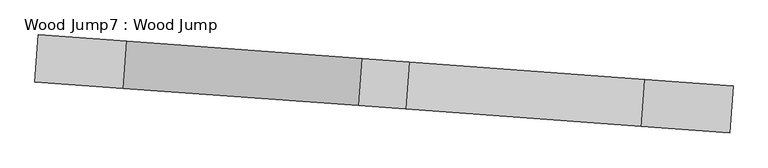
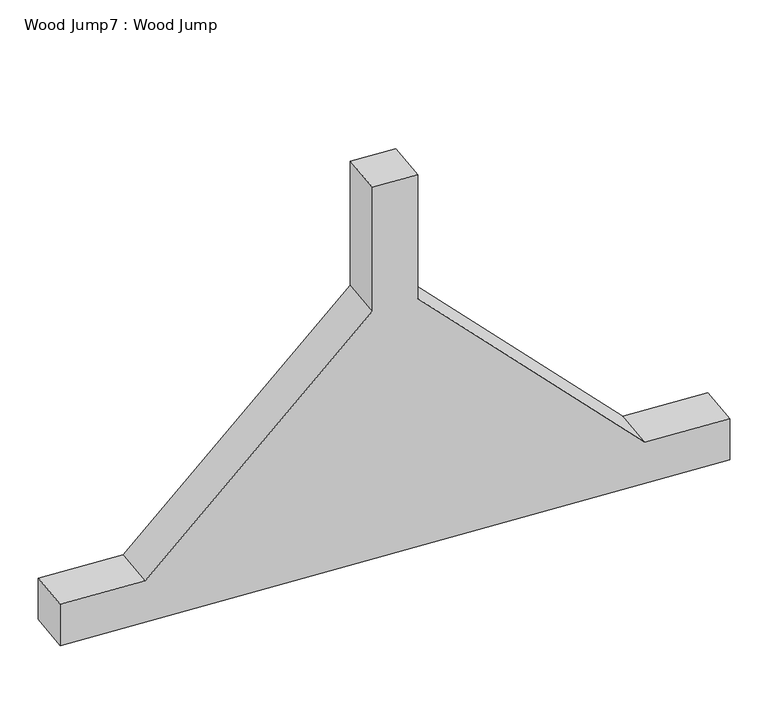
"""IFC4 building model written with IfcOpenShell, lengths in millimetres: proxy geometry, Wood Jump7 : Wood Jump."""

from ifc_helpers import new_model, si_unit, frame, origin, place, context, project, spatial, polyline, outline, extrude, source, transform, mapped, element, save


def wood_jump7_wood_jump_329478cd(model_context):
    return source(origin(), model_context, "Body", "SweptSolid", [
        extrude(outline(polyline([(0.0, 0.0), (0.0, -1498.6), (-101.6, -1498.6), (-101.6, -1308.1000001), (-609.6, -800.1), (-914.4, -800.1), (-914.4, -698.5), (-609.6, -698.5), (-101.6, -190.5), (-101.6, 0.0), (0.0, 0.0)])), frame((143816.2497868, 9329.4473563, 0.0), z_axis=(0.07354578365650077, 0.9972918417927379, 0.0), x_axis=(0.0, 0.0, -1.0)), (0.0, 0.0, 1.0), 101.6),
    ])


if __name__ == "__main__":
    model = new_model("IFC4")
    model_context = context("Model", 3, world=origin())
    ifc_project = project(units=[si_unit("LENGTHUNIT", "METRE", prefix="MILLI")], contexts=[model_context])
    site = spatial("IfcSite", under=ifc_project)
    building = spatial("IfcBuilding", under=site)
    placement = place(None, origin())
    wood_jump7_wood_jump_shape = wood_jump7_wood_jump_329478cd(model_context)
    element("IfcBuildingElementProxy", 1, Name="Wood Jump7 : Wood Jump", ObjectType="Wood Jump7 : Wood Jump", at=placement, inside=building, context=model_context, shape_type="MappedRepresentation", body=[
        mapped(wood_jump7_wood_jump_shape, transform((0.0, 0.0, 0.0), x_axis=(1.0, 0.0, 0.0), y_axis=(0.0, 1.0, 0.0), z_axis=(0.0, 0.0, 1.0))),
    ])
    save(model, "model.ifc")
